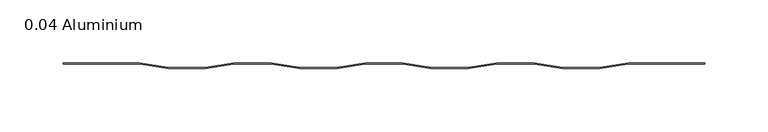
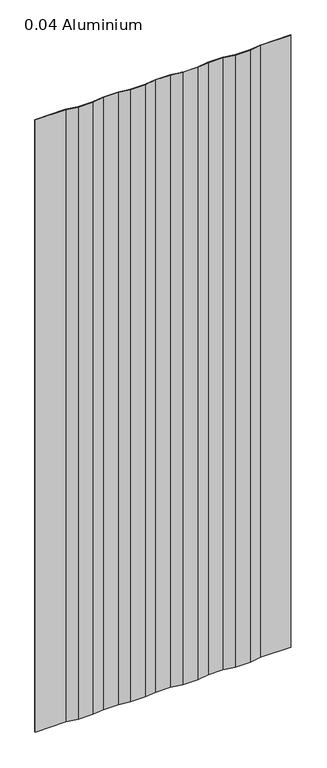
"""IFC4 building model written with IfcOpenShell, lengths in millimetres: plate geometry, 0.04 Aluminium."""

from ifc_helpers import new_model, si_unit, origin, origin_with_axes, place, context, project, spatial, polyline, outline, extrude, source, transform, mapped, element, save


def plate_0_04_aluminium_25f9a5ed(model_context):
    return source(origin(), model_context, "Body", "SweptSolid", [
        extrude(outline(polyline([(14.706393, 0.0), (-14.706393, 0.0), (-37.203173, -3.54838), (-66.870787, -3.54838), (-89.367567, 0.0), (-118.780353, 0.0), (-141.277133, -3.54838), (-170.944747, -3.54838), (-193.441527, 0.0), (-254.0, 0.0), (-254.0, 1.016), (-193.37782, 1.016), (-170.88104, -2.53238), (-141.34084, -2.53238), (-118.84406, 1.016), (-89.30386, 1.016), (-66.80708, -2.53238), (-37.26688, -2.53238), (-14.7701, 1.016), (14.7701, 1.016), (37.26688, -2.53238), (66.80708, -2.53238), (89.30386, 1.016), (118.84406, 1.016), (141.34084, -2.53238), (170.88104, -2.53238), (193.37782, 1.016), (254.0, 1.016), (254.0, 0.0), (193.441527, 0.0), (170.944747, -3.54838), (141.277133, -3.54838), (118.780353, 0.0), (89.367567, 0.0), (66.870787, -3.54838), (37.203173, -3.54838), (14.706393, 0.0)])), origin_with_axes(), (0.0, 0.0, 1.0), 1285.875),
    ])


if __name__ == "__main__":
    model = new_model("IFC4")
    model_context = context("Model", 3, world=origin())
    ifc_project = project(units=[si_unit("LENGTHUNIT", "METRE", prefix="MILLI")], contexts=[model_context])
    site = spatial("IfcSite", under=ifc_project)
    building = spatial("IfcBuilding", under=site)
    placement = place(None, origin())
    plate_0_04_aluminium_shape = plate_0_04_aluminium_25f9a5ed(model_context)
    element("IfcPlate", 1, ObjectType="0.04 Aluminium", at=placement, inside=building, context=model_context, shape_type="MappedRepresentation", body=[
        mapped(plate_0_04_aluminium_shape, transform((0.0, 0.0, 0.0), x_axis=(1.0, 0.0, 0.0), y_axis=(0.0, 1.0, 0.0), z_axis=(0.0, 0.0, 1.0))),
    ])
    save(model, "model.ifc")
